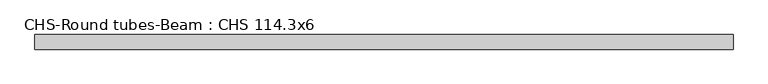
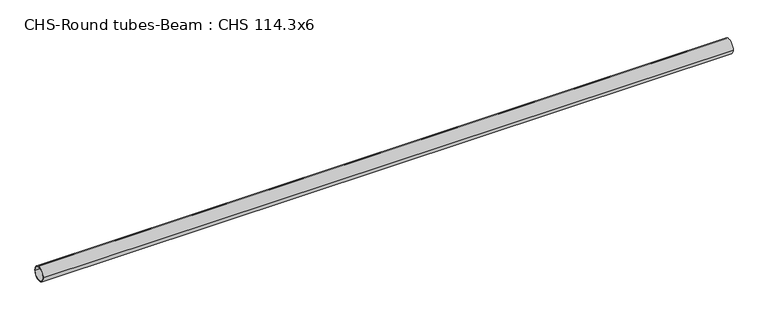
"""IFC4 building model written with IfcOpenShell, lengths in millimetres: beam geometry, CHS-Round tubes-Beam : CHS 114.3x6."""

from ifc_helpers import new_model, si_unit, point, frame, origin, origin_2d, place, context, project, spatial, circle_curve, trimmed, segment, composite_curve, outline, extrude, source, transform, mapped, element, save


def chs_round_tubes_beam_chs_114_3x6_f65e4016(model_context):
    return source(origin(), model_context, "Body", "SweptSolid", [
        extrude(outline(composite_curve([segment(trimmed(circle_curve(origin_2d(), 57.15), [point((57.15, 0.0))], [point((-57.15, 0.0))], False, "CARTESIAN"), True, "CONTINUOUS"), segment(trimmed(circle_curve(origin_2d(), 57.15), [point((-57.15, 0.0))], [point((57.15, 0.0))], False, "CARTESIAN"), True, "CONTINUOUS")], self_intersect=False), holes=[composite_curve([segment(trimmed(circle_curve(origin_2d(), 51.15), [point((51.15, 0.0))], [point((-51.15, 0.0))], True, "CARTESIAN"), True, "CONTINUOUS"), segment(trimmed(circle_curve(origin_2d(), 51.15), [point((-51.15, 0.0))], [point((51.15, 0.0))], True, "CARTESIAN"), True, "CONTINUOUS")], self_intersect=False)]), frame((-2743.0783758, 0.0, 0.0), z_axis=(1.0, 0.0, 0.0), x_axis=(0.0, 1.0, 0.0)), (0.0, 0.0, 1.0), 5452.6240288),
    ])


if __name__ == "__main__":
    model = new_model("IFC4")
    model_context = context("Model", 3, world=origin())
    ifc_project = project(units=[si_unit("LENGTHUNIT", "METRE", prefix="MILLI")], contexts=[model_context])
    site = spatial("IfcSite", under=ifc_project)
    building = spatial("IfcBuilding", under=site)
    placement = place(None, origin())
    chs_round_tubes_beam_chs_114_3x6_shape = chs_round_tubes_beam_chs_114_3x6_f65e4016(model_context)
    element("IfcBeam", 1, ObjectType="CHS-Round tubes-Beam : CHS 114.3x6", at=placement, inside=building, context=model_context, shape_type="MappedRepresentation", body=[
        mapped(chs_round_tubes_beam_chs_114_3x6_shape, transform((0.0, 0.0, 0.0), x_axis=(1.0, 0.0, 0.0), y_axis=(0.0, 1.0, 0.0), z_axis=(0.0, 0.0, 1.0))),
    ])
    save(model, "model.ifc")
